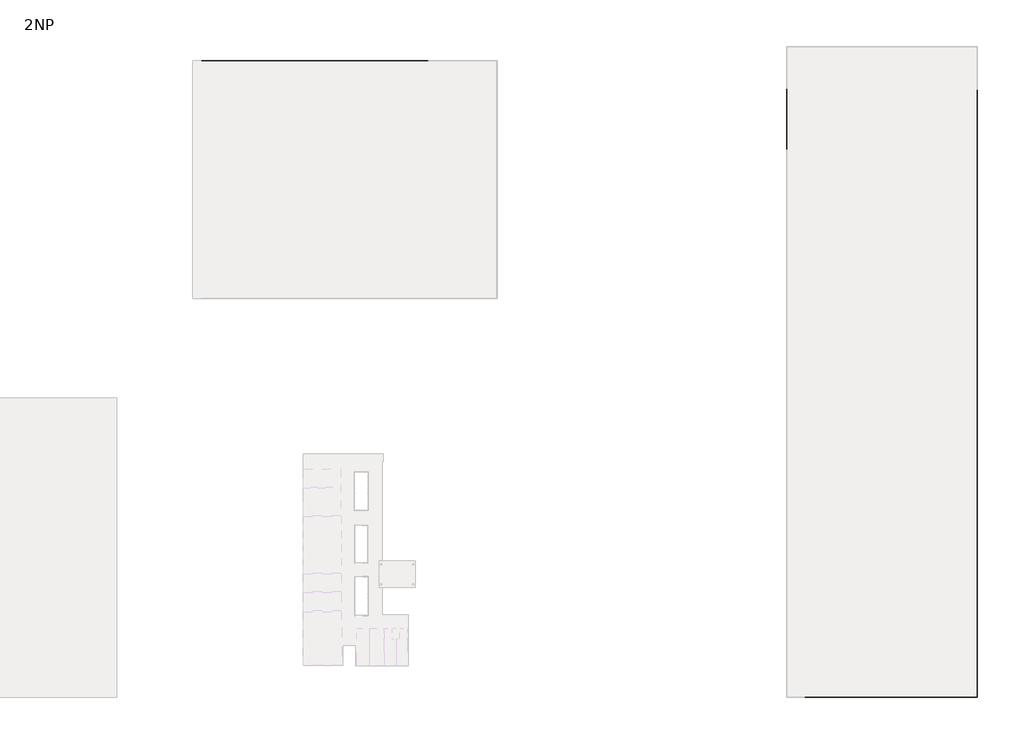
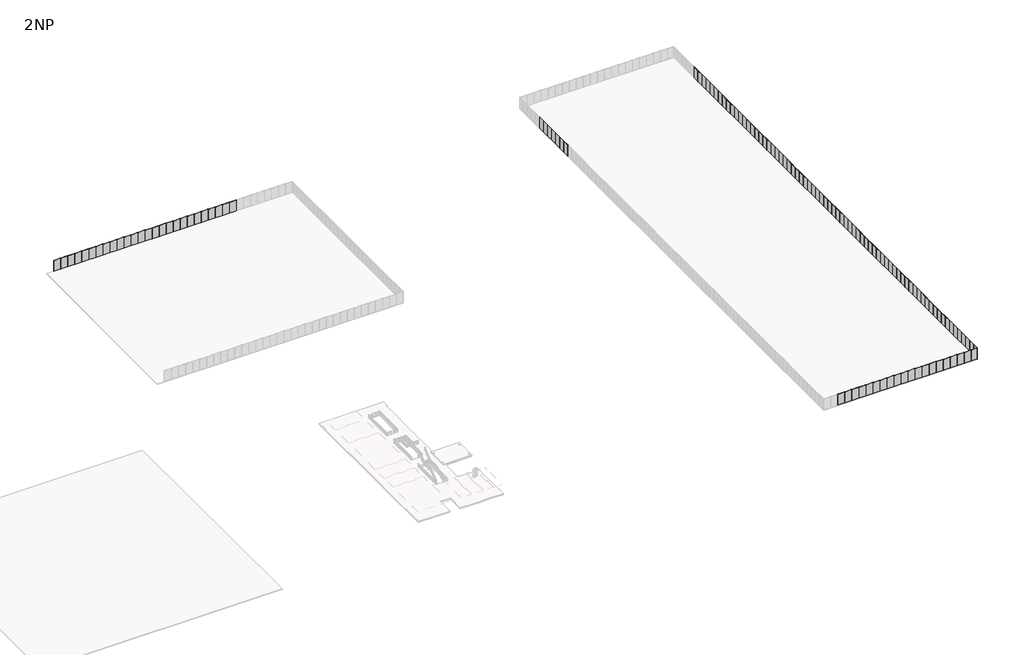
# One storey, part 5 of 6: 123 plates.
"""IFC4 building model written with IfcOpenShell, lengths in millimetres."""

import ifcopenshell
import ifcopenshell.guid

model = None  # the IFC model being written
_history = None  # IfcOwnerHistory: only IFC2X3 demands one
_inside = {}  # id of a spatial element -> (the spatial element, [elements in it])
_under = {}  # id of a project, library or spatial element -> (it, [spatial elements below it])
_declared = {}  # id of a project -> (the project, [libraries it declares])
_typed = {}  # id of a type object -> (the type object, [elements of that type])
_made_of = {}  # id of a material, layer set ... -> (it, [elements and type objects made of it])


def new_model(schema):
    """Start an empty IFC model of exactly this schema.

    Asked for "IFC4X3", IfcOpenShell would pick the latest addendum, in which some entities
    have other attributes; the version numbers below select the first issue.
    IFC2X3 requires an IfcOwnerHistory on every rooted entity: one is made here for all.
    """
    global model, _history
    if schema == "IFC4X3":
        model = ifcopenshell.file(schema_version=(4, 3, 0, 0))
    else:
        model = ifcopenshell.file(schema=schema)
    _inside.clear()
    _under.clear()
    _declared.clear()
    _typed.clear()
    _made_of.clear()
    _history = None
    if model.schema == "IFC2X3":
        org = make("IfcOrganization", Name="unknown")
        user = make(
            "IfcPersonAndOrganization",
            ThePerson=make("IfcPerson", FamilyName="unknown"),
            TheOrganization=org,
        )
        app = make(
            "IfcApplication",
            ApplicationDeveloper=org,
            Version="unknown",
            ApplicationFullName="unknown",
            ApplicationIdentifier="unknown",
        )
        _history = make(
            "IfcOwnerHistory",
            OwningUser=user,
            OwningApplication=app,
            ChangeAction="ADDED",
            CreationDate=0,
        )
    return model


def make(cls, **values):
    """One entity of the class cls with the attributes given. An attribute that is None is left unset."""
    return model.create_entity(
        cls, **{name: value for name, value in values.items() if value is not None}
    )


def rooted(cls, **values):
    """An entity with a GlobalId (a new one), such as an element, a storey or a relation."""
    return make(cls, GlobalId=ifcopenshell.guid.new(), OwnerHistory=_history, **values)


def si_unit(unit_type, name, prefix=None):
    """IfcSIUnit, for example si_unit("LENGTHUNIT", "METRE", prefix="MILLI")."""
    return make("IfcSIUnit", UnitType=unit_type, Prefix=prefix, Name=name)


def assignment(units):
    """IfcUnitAssignment: the units of a project."""
    return None if units is None else make("IfcUnitAssignment", Units=units)


def point(xyz):
    """IfcCartesianPoint."""
    return None if xyz is None else make("IfcCartesianPoint", Coordinates=xyz)


def direction(xyz):
    """IfcDirection."""
    return None if xyz is None else make("IfcDirection", DirectionRatios=xyz)


def frame(location, z_axis=None, x_axis=None):
    """IfcAxis2Placement3D, a coordinate frame: its origin and axes. An axis left out is left unset."""
    return make(
        "IfcAxis2Placement3D",
        Location=point(location),
        Axis=direction(z_axis),
        RefDirection=direction(x_axis),
    )


def origin():
    """The frame at (0, 0, 0) with its axes left unset."""
    return frame((0.0, 0.0, 0.0))


def origin_with_axes():
    """The frame at (0, 0, 0) with the z axis (0, 0, 1) and the x axis (1, 0, 0) written out."""
    return frame((0.0, 0.0, 0.0), z_axis=(0.0, 0.0, 1.0), x_axis=(1.0, 0.0, 0.0))


def place(relative_to, where):
    """IfcLocalPlacement: puts the frame where relative to a parent placement (None: the world)."""
    return make(
        "IfcLocalPlacement", PlacementRelTo=relative_to, RelativePlacement=where
    )


def context(
    kind, dimensions, precision=None, world=None, true_north=None, identifier=None
):
    """IfcGeometricRepresentationContext, for example the 3D "Model" context."""
    return make(
        "IfcGeometricRepresentationContext",
        ContextIdentifier=identifier,
        ContextType=kind,
        CoordinateSpaceDimension=dimensions,
        Precision=precision,
        WorldCoordinateSystem=world,
        TrueNorth=true_north,
    )


def project(units=None, contexts=None):
    """IfcProject with its units and contexts."""
    return rooted(
        "IfcProject",
        Name="project",
        RepresentationContexts=contexts,
        UnitsInContext=assignment(units),
    )


def spatial(cls, under=None, at=None, **own):
    """A site, building, storey or space (cls), placed at a placement, below another one or the project."""
    s = rooted(cls, ObjectPlacement=at, **own)
    if under is not None:
        _under.setdefault(under.id(), (under, []))[1].append(s)
    return s


def polyline(points):
    """IfcPolyline through the points."""
    return make("IfcPolyline", Points=[point(p) for p in points])


def outline(outer, holes=None, kind="AREA"):
    """IfcArbitraryClosedProfileDef: a profile drawn as a closed curve; with holes, ...WithVoids."""
    if holes is None:
        return make("IfcArbitraryClosedProfileDef", ProfileType=kind, OuterCurve=outer)
    return make(
        "IfcArbitraryProfileDefWithVoids",
        ProfileType=kind,
        OuterCurve=outer,
        InnerCurves=holes,
    )


def extrude(swept, where, along, depth):
    """IfcExtrudedAreaSolid: the profile swept, set in the frame where, extruded along a direction by depth."""
    return make(
        "IfcExtrudedAreaSolid",
        SweptArea=swept,
        Position=where,
        ExtrudedDirection=direction(along),
        Depth=depth,
    )


def shape(context_of_items, identifier, shape_type, items):
    """IfcShapeRepresentation: the items that make up one representation, for example the "Body"."""
    return make(
        "IfcShapeRepresentation",
        ContextOfItems=context_of_items,
        RepresentationIdentifier=identifier,
        RepresentationType=shape_type,
        Items=items,
    )


def source(mapping_origin, context_of_items, identifier, shape_type, items):
    """IfcRepresentationMap: a shape defined once, which mapped items show again and again."""
    return make(
        "IfcRepresentationMap",
        MappingOrigin=mapping_origin,
        MappedRepresentation=shape(context_of_items, identifier, shape_type, items),
    )


def transform(
    local_origin,
    x_axis=None,
    y_axis=None,
    z_axis=None,
    scale=None,
    scale2=None,
    scale3=None,
    uniform=True,
):
    """IfcCartesianTransformationOperator3D, or its non-uniform kind. x_axis, y_axis, z_axis: its Axis1, 2, 3."""
    if uniform:
        return make(
            "IfcCartesianTransformationOperator3D",
            Axis1=direction(x_axis),
            Axis2=direction(y_axis),
            LocalOrigin=point(local_origin),
            Scale=scale,
            Axis3=direction(z_axis),
        )
    return make(
        "IfcCartesianTransformationOperator3DnonUniform",
        Axis1=direction(x_axis),
        Axis2=direction(y_axis),
        LocalOrigin=point(local_origin),
        Scale=scale,
        Axis3=direction(z_axis),
        Scale2=scale2,
        Scale3=scale3,
    )


def mapped(mapping_source, mapping_target):
    """IfcMappedItem: shows the shape of a source again, moved by a transform."""
    return make(
        "IfcMappedItem", MappingSource=mapping_source, MappingTarget=mapping_target
    )


def made_of(thing, what):
    """Note that an element or type object is made of a material, layer set ...; save() writes the relation."""
    if what is not None:
        _made_of.setdefault(what.id(), (what, []))[1].append(thing)
    return thing


def element(
    cls,
    number,
    at=None,
    inside=None,
    cuts=None,
    type_object=None,
    material=None,
    context=None,
    identifier="Body",
    shape_type=None,
    held_by="IfcProductDefinitionShape",
    body=None,
    shapes=None,
    **own,
):
    """One element of the class cls, such as IfcWall. Its Tag is "e" and its number.

    at: its placement. inside: the storey or other place that contains it. cuts: it is an
    opening in that element (IfcRelVoidsElement). A single representation is given by context,
    identifier, shape_type and body (its items); several are given by shapes. held_by: the class
    of the entity that holds the representations. save() writes the other relations.
    """
    e = rooted(cls, Tag="e%d" % number, ObjectPlacement=at, **own)
    if body is not None:
        shapes = [shape(context, identifier, shape_type, body)]
    if shapes is not None:
        e.Representation = make(held_by, Representations=shapes)
    if inside is not None:
        _inside.setdefault(inside.id(), (inside, []))[1].append(e)
    if cuts is not None:
        rooted(
            "IfcRelVoidsElement", RelatingBuildingElement=cuts, RelatedOpeningElement=e
        )
    if type_object is not None:
        _typed.setdefault(type_object.id(), (type_object, []))[1].append(e)
    return made_of(e, material)


def aggregate(whole, parts):
    """IfcRelAggregates: a whole, such as a stair, and the parts it consists of."""
    return rooted("IfcRelAggregates", RelatingObject=whole, RelatedObjects=parts)


def save(model, path):
    """Write the relations noted so far, then the file.

    IfcRelAggregates (storeys below a building ...), IfcRelContainedInSpatialStructure (elements
    in a storey), IfcRelDefinesByType, IfcRelAssociatesMaterial and IfcRelDeclares: one each for
    every whole, place, type object, material and project.
    """
    for whole, parts in _under.values():
        aggregate(whole, parts)
    for where, things in _inside.values():
        rooted(
            "IfcRelContainedInSpatialStructure",
            RelatedElements=things,
            RelatingStructure=where,
        )
    for kind, things in _typed.values():
        rooted("IfcRelDefinesByType", RelatedObjects=things, RelatingType=kind)
    for what, things in _made_of.values():
        rooted("IfcRelAssociatesMaterial", RelatedObjects=things, RelatingMaterial=what)
    for by, libraries in _declared.values():
        rooted("IfcRelDeclares", RelatingContext=by, RelatedDefinitions=libraries)
    model.write(path)


def plate_1b9f2f65(model_context):
    return source(origin(), model_context, "Body", "SweptSolid", [
        extrude(outline(polyline([(915.0000002, 24.5), (-915.0000002, 24.5), (-915.0000002, 49.5), (915.0000002, 49.5), (915.0000002, 24.5)])), origin_with_axes(), (0.0, 0.0, 1.0), 3000.0),
    ])


def plate_9b70a8c7(model_context):
    return source(origin(), model_context, "Body", "SweptSolid", [
        extrude(outline(polyline([(784.9999998, 24.5), (-784.9999998, 24.5), (-784.9999998, 49.5), (784.9999998, 49.5), (784.9999998, 24.5)])), origin_with_axes(), (0.0, 0.0, 1.0), 3000.0),
    ])


def plate_1a719a74(model_context):
    return source(origin(), model_context, "Body", "SweptSolid", [
        extrude(outline(polyline([(789.9999998, 24.5), (-789.9999998, 24.5), (-789.9999998, 49.5), (789.9999998, 49.5), (789.9999998, 24.5)])), origin_with_axes(), (0.0, 0.0, 1.0), 3000.0),
    ])


model = new_model("IFC4")

# Units and contexts
model_context = context("Model", 3, world=origin())
ifc_project = project(units=[si_unit("LENGTHUNIT", "METRE", prefix="MILLI")], contexts=[model_context])

# Site, building, storey
site = spatial("IfcSite", under=ifc_project)
building = spatial("IfcBuilding", under=site)
storey = spatial("IfcBuildingStorey", under=building, Name="2NP", Elevation=3000.0)

# Plates
placement = place(None, origin())
plate_shape = plate_1b9f2f65(model_context)
element("IfcPlate", 1, at=placement, inside=storey, context=model_context, shape_type="MappedRepresentation", body=[
    mapped(plate_shape, transform((164000.0, 126934.9999997, 3000.0), x_axis=(0.0, -1.0, 0.0), y_axis=(1.0, 0.0, 0.0), z_axis=(0.0, 0.0, 1.0))),
])
element("IfcPlate", 2, at=placement, inside=storey, context=model_context, shape_type="MappedRepresentation", body=[
    mapped(plate_shape, transform((164000.0, 125104.9999997, 3000.0), x_axis=(0.0, -1.0, 0.0), y_axis=(1.0, 0.0, 0.0), z_axis=(0.0, 0.0, 1.0))),
])
element("IfcPlate", 3, at=placement, inside=storey, context=model_context, shape_type="MappedRepresentation", body=[
    mapped(plate_shape, transform((164000.0, 123274.9999997, 3000.0), x_axis=(0.0, -1.0, 0.0), y_axis=(1.0, 0.0, 0.0), z_axis=(0.0, 0.0, 1.0))),
])
element("IfcPlate", 4, at=placement, inside=storey, context=model_context, shape_type="MappedRepresentation", body=[
    mapped(plate_shape, transform((164000.0, 121444.9999997, 3000.0), x_axis=(0.0, -1.0, 0.0), y_axis=(1.0, 0.0, 0.0), z_axis=(0.0, 0.0, 1.0))),
])
element("IfcPlate", 5, at=placement, inside=storey, context=model_context, shape_type="MappedRepresentation", body=[
    mapped(plate_shape, transform((164000.0, 119614.9999997, 3000.0), x_axis=(0.0, -1.0, 0.0), y_axis=(1.0, 0.0, 0.0), z_axis=(0.0, 0.0, 1.0))),
])
element("IfcPlate", 6, at=placement, inside=storey, context=model_context, shape_type="MappedRepresentation", body=[
    mapped(plate_shape, transform((164000.0, 117784.9999997, 3000.0), x_axis=(0.0, -1.0, 0.0), y_axis=(1.0, 0.0, 0.0), z_axis=(0.0, 0.0, 1.0))),
])
element("IfcPlate", 7, at=placement, inside=storey, context=model_context, shape_type="MappedRepresentation", body=[
    mapped(plate_shape, transform((164000.0, 115954.9999997, 3000.0), x_axis=(0.0, -1.0, 0.0), y_axis=(1.0, 0.0, 0.0), z_axis=(0.0, 0.0, 1.0))),
])
element("IfcPlate", 8, at=placement, inside=storey, context=model_context, shape_type="MappedRepresentation", body=[
    mapped(plate_shape, transform((164000.0, 114124.9999997, 3000.0), x_axis=(0.0, -1.0, 0.0), y_axis=(1.0, 0.0, 0.0), z_axis=(0.0, 0.0, 1.0))),
])
element("IfcPlate", 9, at=placement, inside=storey, context=model_context, shape_type="MappedRepresentation", body=[
    mapped(plate_shape, transform((164000.0, 112294.9999997, 3000.0), x_axis=(0.0, -1.0, 0.0), y_axis=(1.0, 0.0, 0.0), z_axis=(0.0, 0.0, 1.0))),
])
element("IfcPlate", 10, at=placement, inside=storey, context=model_context, shape_type="MappedRepresentation", body=[
    mapped(plate_shape, transform((164000.0, 110464.9999997, 3000.0), x_axis=(0.0, -1.0, 0.0), y_axis=(1.0, 0.0, 0.0), z_axis=(0.0, 0.0, 1.0))),
])
element("IfcPlate", 11, at=placement, inside=storey, context=model_context, shape_type="MappedRepresentation", body=[
    mapped(plate_shape, transform((164000.0, 108634.9999997, 3000.0), x_axis=(0.0, -1.0, 0.0), y_axis=(1.0, 0.0, 0.0), z_axis=(0.0, 0.0, 1.0))),
])
element("IfcPlate", 12, at=placement, inside=storey, context=model_context, shape_type="MappedRepresentation", body=[
    mapped(plate_shape, transform((164000.0, 106804.9999997, 3000.0), x_axis=(0.0, -1.0, 0.0), y_axis=(1.0, 0.0, 0.0), z_axis=(0.0, 0.0, 1.0))),
])
element("IfcPlate", 13, at=placement, inside=storey, context=model_context, shape_type="MappedRepresentation", body=[
    mapped(plate_shape, transform((164000.0, 104974.9999997, 3000.0), x_axis=(0.0, -1.0, 0.0), y_axis=(1.0, 0.0, 0.0), z_axis=(0.0, 0.0, 1.0))),
])
element("IfcPlate", 14, at=placement, inside=storey, context=model_context, shape_type="MappedRepresentation", body=[
    mapped(plate_shape, transform((164000.0, 103144.9999997, 3000.0), x_axis=(0.0, -1.0, 0.0), y_axis=(1.0, 0.0, 0.0), z_axis=(0.0, 0.0, 1.0))),
])
element("IfcPlate", 15, at=placement, inside=storey, context=model_context, shape_type="MappedRepresentation", body=[
    mapped(plate_shape, transform((164000.0, 101314.9999997, 3000.0), x_axis=(0.0, -1.0, 0.0), y_axis=(1.0, 0.0, 0.0), z_axis=(0.0, 0.0, 1.0))),
])
element("IfcPlate", 16, at=placement, inside=storey, context=model_context, shape_type="MappedRepresentation", body=[
    mapped(plate_shape, transform((164000.0, 99484.9999997, 3000.0), x_axis=(0.0, -1.0, 0.0), y_axis=(1.0, 0.0, 0.0), z_axis=(0.0, 0.0, 1.0))),
])
element("IfcPlate", 17, at=placement, inside=storey, context=model_context, shape_type="MappedRepresentation", body=[
    mapped(plate_shape, transform((164000.0, 97654.9999997, 3000.0), x_axis=(0.0, -1.0, 0.0), y_axis=(1.0, 0.0, 0.0), z_axis=(0.0, 0.0, 1.0))),
])
element("IfcPlate", 18, at=placement, inside=storey, context=model_context, shape_type="MappedRepresentation", body=[
    mapped(plate_shape, transform((164000.0, 95824.9999997, 3000.0), x_axis=(0.0, -1.0, 0.0), y_axis=(1.0, 0.0, 0.0), z_axis=(0.0, 0.0, 1.0))),
])
element("IfcPlate", 19, at=placement, inside=storey, context=model_context, shape_type="MappedRepresentation", body=[
    mapped(plate_shape, transform((164000.0, 93994.9999997, 3000.0), x_axis=(0.0, -1.0, 0.0), y_axis=(1.0, 0.0, 0.0), z_axis=(0.0, 0.0, 1.0))),
])
element("IfcPlate", 20, at=placement, inside=storey, context=model_context, shape_type="MappedRepresentation", body=[
    mapped(plate_shape, transform((164000.0, 92164.9999997, 3000.0), x_axis=(0.0, -1.0, 0.0), y_axis=(1.0, 0.0, 0.0), z_axis=(0.0, 0.0, 1.0))),
])
element("IfcPlate", 21, at=placement, inside=storey, context=model_context, shape_type="MappedRepresentation", body=[
    mapped(plate_shape, transform((164000.0, 90334.9999997, 3000.0), x_axis=(0.0, -1.0, 0.0), y_axis=(1.0, 0.0, 0.0), z_axis=(0.0, 0.0, 1.0))),
])
element("IfcPlate", 22, at=placement, inside=storey, context=model_context, shape_type="MappedRepresentation", body=[
    mapped(plate_shape, transform((164000.0, 88504.9999997, 3000.0), x_axis=(0.0, -1.0, 0.0), y_axis=(1.0, 0.0, 0.0), z_axis=(0.0, 0.0, 1.0))),
])
element("IfcPlate", 23, at=placement, inside=storey, context=model_context, shape_type="MappedRepresentation", body=[
    mapped(plate_shape, transform((164000.0, 86674.9999997, 3000.0), x_axis=(0.0, -1.0, 0.0), y_axis=(1.0, 0.0, 0.0), z_axis=(0.0, 0.0, 1.0))),
])
element("IfcPlate", 24, at=placement, inside=storey, context=model_context, shape_type="MappedRepresentation", body=[
    mapped(plate_shape, transform((164000.0, 84844.9999997, 3000.0), x_axis=(0.0, -1.0, 0.0), y_axis=(1.0, 0.0, 0.0), z_axis=(0.0, 0.0, 1.0))),
])
element("IfcPlate", 25, at=placement, inside=storey, context=model_context, shape_type="MappedRepresentation", body=[
    mapped(plate_shape, transform((164000.0, 83014.9999997, 3000.0), x_axis=(0.0, -1.0, 0.0), y_axis=(1.0, 0.0, 0.0), z_axis=(0.0, 0.0, 1.0))),
])
element("IfcPlate", 26, at=placement, inside=storey, context=model_context, shape_type="MappedRepresentation", body=[
    mapped(plate_shape, transform((164000.0, 81184.9999997, 3000.0), x_axis=(0.0, -1.0, 0.0), y_axis=(1.0, 0.0, 0.0), z_axis=(0.0, 0.0, 1.0))),
])
element("IfcPlate", 27, at=placement, inside=storey, context=model_context, shape_type="MappedRepresentation", body=[
    mapped(plate_shape, transform((164000.0, 79354.9999997, 3000.0), x_axis=(0.0, -1.0, 0.0), y_axis=(1.0, 0.0, 0.0), z_axis=(0.0, 0.0, 1.0))),
])
element("IfcPlate", 28, at=placement, inside=storey, context=model_context, shape_type="MappedRepresentation", body=[
    mapped(plate_shape, transform((164000.0, 77524.9999997, 3000.0), x_axis=(0.0, -1.0, 0.0), y_axis=(1.0, 0.0, 0.0), z_axis=(0.0, 0.0, 1.0))),
])
element("IfcPlate", 29, at=placement, inside=storey, context=model_context, shape_type="MappedRepresentation", body=[
    mapped(plate_shape, transform((164000.0, 75694.9999997, 3000.0), x_axis=(0.0, -1.0, 0.0), y_axis=(1.0, 0.0, 0.0), z_axis=(0.0, 0.0, 1.0))),
])
element("IfcPlate", 30, at=placement, inside=storey, context=model_context, shape_type="MappedRepresentation", body=[
    mapped(plate_shape, transform((164000.0, 73864.9999997, 3000.0), x_axis=(0.0, -1.0, 0.0), y_axis=(1.0, 0.0, 0.0), z_axis=(0.0, 0.0, 1.0))),
])
element("IfcPlate", 31, at=placement, inside=storey, context=model_context, shape_type="MappedRepresentation", body=[
    mapped(plate_shape, transform((164000.0, 72034.9999997, 3000.0), x_axis=(0.0, -1.0, 0.0), y_axis=(1.0, 0.0, 0.0), z_axis=(0.0, 0.0, 1.0))),
])
element("IfcPlate", 32, at=placement, inside=storey, context=model_context, shape_type="MappedRepresentation", body=[
    mapped(plate_shape, transform((164000.0, 70204.9999997, 3000.0), x_axis=(0.0, -1.0, 0.0), y_axis=(1.0, 0.0, 0.0), z_axis=(0.0, 0.0, 1.0))),
])
element("IfcPlate", 33, at=placement, inside=storey, context=model_context, shape_type="MappedRepresentation", body=[
    mapped(plate_shape, transform((164000.0, 68374.9999997, 3000.0), x_axis=(0.0, -1.0, 0.0), y_axis=(1.0, 0.0, 0.0), z_axis=(0.0, 0.0, 1.0))),
])
element("IfcPlate", 34, at=placement, inside=storey, context=model_context, shape_type="MappedRepresentation", body=[
    mapped(plate_shape, transform((164000.0, 66544.9999997, 3000.0), x_axis=(0.0, -1.0, 0.0), y_axis=(1.0, 0.0, 0.0), z_axis=(0.0, 0.0, 1.0))),
])
element("IfcPlate", 35, at=placement, inside=storey, context=model_context, shape_type="MappedRepresentation", body=[
    mapped(plate_shape, transform((164000.0, 64714.9999997, 3000.0), x_axis=(0.0, -1.0, 0.0), y_axis=(1.0, 0.0, 0.0), z_axis=(0.0, 0.0, 1.0))),
])
element("IfcPlate", 36, at=placement, inside=storey, context=model_context, shape_type="MappedRepresentation", body=[
    mapped(plate_shape, transform((164000.0, 62884.9999997, 3000.0), x_axis=(0.0, -1.0, 0.0), y_axis=(1.0, 0.0, 0.0), z_axis=(0.0, 0.0, 1.0))),
])
element("IfcPlate", 37, at=placement, inside=storey, context=model_context, shape_type="MappedRepresentation", body=[
    mapped(plate_shape, transform((164000.0, 61054.9999997, 3000.0), x_axis=(0.0, -1.0, 0.0), y_axis=(1.0, 0.0, 0.0), z_axis=(0.0, 0.0, 1.0))),
])
element("IfcPlate", 38, at=placement, inside=storey, context=model_context, shape_type="MappedRepresentation", body=[
    mapped(plate_shape, transform((164000.0, 59224.9999997, 3000.0), x_axis=(0.0, -1.0, 0.0), y_axis=(1.0, 0.0, 0.0), z_axis=(0.0, 0.0, 1.0))),
])
element("IfcPlate", 39, at=placement, inside=storey, context=model_context, shape_type="MappedRepresentation", body=[
    mapped(plate_shape, transform((164000.0, 57394.9999997, 3000.0), x_axis=(0.0, -1.0, 0.0), y_axis=(1.0, 0.0, 0.0), z_axis=(0.0, 0.0, 1.0))),
])
element("IfcPlate", 40, at=placement, inside=storey, context=model_context, shape_type="MappedRepresentation", body=[
    mapped(plate_shape, transform((164000.0, 55564.9999997, 3000.0), x_axis=(0.0, -1.0, 0.0), y_axis=(1.0, 0.0, 0.0), z_axis=(0.0, 0.0, 1.0))),
])
element("IfcPlate", 41, at=placement, inside=storey, context=model_context, shape_type="MappedRepresentation", body=[
    mapped(plate_shape, transform((164000.0, 53734.9999997, 3000.0), x_axis=(0.0, -1.0, 0.0), y_axis=(1.0, 0.0, 0.0), z_axis=(0.0, 0.0, 1.0))),
])
element("IfcPlate", 42, at=placement, inside=storey, context=model_context, shape_type="MappedRepresentation", body=[
    mapped(plate_shape, transform((164000.0, 51904.9999997, 3000.0), x_axis=(0.0, -1.0, 0.0), y_axis=(1.0, 0.0, 0.0), z_axis=(0.0, 0.0, 1.0))),
])
element("IfcPlate", 43, at=placement, inside=storey, context=model_context, shape_type="MappedRepresentation", body=[
    mapped(plate_shape, transform((164000.0, 50074.9999997, 3000.0), x_axis=(0.0, -1.0, 0.0), y_axis=(1.0, 0.0, 0.0), z_axis=(0.0, 0.0, 1.0))),
])
element("IfcPlate", 44, at=placement, inside=storey, context=model_context, shape_type="MappedRepresentation", body=[
    mapped(plate_shape, transform((164000.0, 48244.9999997, 3000.0), x_axis=(0.0, -1.0, 0.0), y_axis=(1.0, 0.0, 0.0), z_axis=(0.0, 0.0, 1.0))),
])
element("IfcPlate", 45, at=placement, inside=storey, context=model_context, shape_type="MappedRepresentation", body=[
    mapped(plate_shape, transform((164000.0, 46414.9999997, 3000.0), x_axis=(0.0, -1.0, 0.0), y_axis=(1.0, 0.0, 0.0), z_axis=(0.0, 0.0, 1.0))),
])
element("IfcPlate", 46, at=placement, inside=storey, context=model_context, shape_type="MappedRepresentation", body=[
    mapped(plate_shape, transform((164000.0, 44584.9999997, 3000.0), x_axis=(0.0, -1.0, 0.0), y_axis=(1.0, 0.0, 0.0), z_axis=(0.0, 0.0, 1.0))),
])
element("IfcPlate", 47, at=placement, inside=storey, context=model_context, shape_type="MappedRepresentation", body=[
    mapped(plate_shape, transform((164000.0, 42754.9999997, 3000.0), x_axis=(0.0, -1.0, 0.0), y_axis=(1.0, 0.0, 0.0), z_axis=(0.0, 0.0, 1.0))),
])
element("IfcPlate", 48, at=placement, inside=storey, context=model_context, shape_type="MappedRepresentation", body=[
    mapped(plate_shape, transform((164000.0, 40924.9999997, 3000.0), x_axis=(0.0, -1.0, 0.0), y_axis=(1.0, 0.0, 0.0), z_axis=(0.0, 0.0, 1.0))),
])
element("IfcPlate", 49, at=placement, inside=storey, context=model_context, shape_type="MappedRepresentation", body=[
    mapped(plate_shape, transform((164000.0, 39094.9999997, 3000.0), x_axis=(0.0, -1.0, 0.0), y_axis=(1.0, 0.0, 0.0), z_axis=(0.0, 0.0, 1.0))),
])
element("IfcPlate", 50, at=placement, inside=storey, context=model_context, shape_type="MappedRepresentation", body=[
    mapped(plate_shape, transform((164000.0, 37264.9999997, 3000.0), x_axis=(0.0, -1.0, 0.0), y_axis=(1.0, 0.0, 0.0), z_axis=(0.0, 0.0, 1.0))),
])
element("IfcPlate", 51, at=placement, inside=storey, context=model_context, shape_type="MappedRepresentation", body=[
    mapped(plate_shape, transform((164000.0, 35434.9999997, 3000.0), x_axis=(0.0, -1.0, 0.0), y_axis=(1.0, 0.0, 0.0), z_axis=(0.0, 0.0, 1.0))),
])
element("IfcPlate", 52, at=placement, inside=storey, context=model_context, shape_type="MappedRepresentation", body=[
    mapped(plate_shape, transform((164000.0, 33604.9999997, 3000.0), x_axis=(0.0, -1.0, 0.0), y_axis=(1.0, 0.0, 0.0), z_axis=(0.0, 0.0, 1.0))),
])
element("IfcPlate", 53, at=placement, inside=storey, context=model_context, shape_type="MappedRepresentation", body=[
    mapped(plate_shape, transform((164000.0, 31774.9999997, 3000.0), x_axis=(0.0, -1.0, 0.0), y_axis=(1.0, 0.0, 0.0), z_axis=(0.0, 0.0, 1.0))),
])
element("IfcPlate", 54, at=placement, inside=storey, context=model_context, shape_type="MappedRepresentation", body=[
    mapped(plate_shape, transform((164000.0, 29944.9999997, 3000.0), x_axis=(0.0, -1.0, 0.0), y_axis=(1.0, 0.0, 0.0), z_axis=(0.0, 0.0, 1.0))),
])
element("IfcPlate", 55, at=placement, inside=storey, context=model_context, shape_type="MappedRepresentation", body=[
    mapped(plate_shape, transform((164000.0, 28114.9999997, 3000.0), x_axis=(0.0, -1.0, 0.0), y_axis=(1.0, 0.0, 0.0), z_axis=(0.0, 0.0, 1.0))),
])
element("IfcPlate", 56, at=placement, inside=storey, context=model_context, shape_type="MappedRepresentation", body=[
    mapped(plate_shape, transform((164000.0, 26284.9999997, 3000.0), x_axis=(0.0, -1.0, 0.0), y_axis=(1.0, 0.0, 0.0), z_axis=(0.0, 0.0, 1.0))),
])
element("IfcPlate", 57, at=placement, inside=storey, context=model_context, shape_type="MappedRepresentation", body=[
    mapped(plate_shape, transform((164000.0, 24454.9999997, 3000.0), x_axis=(0.0, -1.0, 0.0), y_axis=(1.0, 0.0, 0.0), z_axis=(0.0, 0.0, 1.0))),
])
element("IfcPlate", 58, at=placement, inside=storey, context=model_context, shape_type="MappedRepresentation", body=[
    mapped(plate_shape, transform((164000.0, 22624.9999997, 3000.0), x_axis=(0.0, -1.0, 0.0), y_axis=(1.0, 0.0, 0.0), z_axis=(0.0, 0.0, 1.0))),
])
element("IfcPlate", 59, at=placement, inside=storey, context=model_context, shape_type="MappedRepresentation", body=[
    mapped(plate_shape, transform((164000.0, 20794.9999997, 3000.0), x_axis=(0.0, -1.0, 0.0), y_axis=(1.0, 0.0, 0.0), z_axis=(0.0, 0.0, 1.0))),
])
element("IfcPlate", 60, at=placement, inside=storey, context=model_context, shape_type="MappedRepresentation", body=[
    mapped(plate_shape, transform((164000.0, 18964.9999997, 3000.0), x_axis=(0.0, -1.0, 0.0), y_axis=(1.0, 0.0, 0.0), z_axis=(0.0, 0.0, 1.0))),
])
element("IfcPlate", 61, at=placement, inside=storey, context=model_context, shape_type="MappedRepresentation", body=[
    mapped(plate_shape, transform((164000.0, 17134.9999997, 3000.0), x_axis=(0.0, -1.0, 0.0), y_axis=(1.0, 0.0, 0.0), z_axis=(0.0, 0.0, 1.0))),
])
element("IfcPlate", 62, at=placement, inside=storey, context=model_context, shape_type="MappedRepresentation", body=[
    mapped(plate_shape, transform((164000.0, 15304.9999997, 3000.0), x_axis=(0.0, -1.0, 0.0), y_axis=(1.0, 0.0, 0.0), z_axis=(0.0, 0.0, 1.0))),
])
element("IfcPlate", 63, at=placement, inside=storey, context=model_context, shape_type="MappedRepresentation", body=[
    mapped(plate_shape, transform((164000.0, 13474.9999997, 3000.0), x_axis=(0.0, -1.0, 0.0), y_axis=(1.0, 0.0, 0.0), z_axis=(0.0, 0.0, 1.0))),
])
element("IfcPlate", 64, at=placement, inside=storey, context=model_context, shape_type="MappedRepresentation", body=[
    mapped(plate_shape, transform((164000.0, 11644.9999997, 3000.0), x_axis=(0.0, -1.0, 0.0), y_axis=(1.0, 0.0, 0.0), z_axis=(0.0, 0.0, 1.0))),
])
element("IfcPlate", 65, at=placement, inside=storey, context=model_context, shape_type="MappedRepresentation", body=[
    mapped(plate_shape, transform((164000.0, 9814.9999997, 3000.0), x_axis=(0.0, -1.0, 0.0), y_axis=(1.0, 0.0, 0.0), z_axis=(0.0, 0.0, 1.0))),
])
element("IfcPlate", 66, at=placement, inside=storey, context=model_context, shape_type="MappedRepresentation", body=[
    mapped(plate_shape, transform((164000.0, 7984.9999997, 3000.0), x_axis=(0.0, -1.0, 0.0), y_axis=(1.0, 0.0, 0.0), z_axis=(0.0, 0.0, 1.0))),
])
element("IfcPlate", 67, at=placement, inside=storey, context=model_context, shape_type="MappedRepresentation", body=[
    mapped(plate_shape, transform((164000.0, 6154.9999997, 3000.0), x_axis=(0.0, -1.0, 0.0), y_axis=(1.0, 0.0, 0.0), z_axis=(0.0, 0.0, 1.0))),
])
element("IfcPlate", 68, at=placement, inside=storey, context=model_context, shape_type="MappedRepresentation", body=[
    mapped(plate_shape, transform((164000.0, 4324.9999997, 3000.0), x_axis=(0.0, -1.0, 0.0), y_axis=(1.0, 0.0, 0.0), z_axis=(0.0, 0.0, 1.0))),
])
element("IfcPlate", 69, at=placement, inside=storey, context=model_context, shape_type="MappedRepresentation", body=[
    mapped(plate_shape, transform((164000.0, 2494.9999997, 3000.0), x_axis=(0.0, -1.0, 0.0), y_axis=(1.0, 0.0, 0.0), z_axis=(0.0, 0.0, 1.0))),
])
element("IfcPlate", 70, at=placement, inside=storey, context=model_context, shape_type="MappedRepresentation", body=[
    mapped(plate_shape, transform((124000.0, 116205.0000003, 3000.0), x_axis=(0.0, 1.0, 0.0), y_axis=(-1.0, 0.0, 0.0), z_axis=(0.0, 0.0, 1.0))),
])
element("IfcPlate", 71, at=placement, inside=storey, context=model_context, shape_type="MappedRepresentation", body=[
    mapped(plate_shape, transform((124000.0, 118035.0000003, 3000.0), x_axis=(0.0, 1.0, 0.0), y_axis=(-1.0, 0.0, 0.0), z_axis=(0.0, 0.0, 1.0))),
])
element("IfcPlate", 72, at=placement, inside=storey, context=model_context, shape_type="MappedRepresentation", body=[
    mapped(plate_shape, transform((124000.0, 119865.0000003, 3000.0), x_axis=(0.0, 1.0, 0.0), y_axis=(-1.0, 0.0, 0.0), z_axis=(0.0, 0.0, 1.0))),
])
element("IfcPlate", 73, at=placement, inside=storey, context=model_context, shape_type="MappedRepresentation", body=[
    mapped(plate_shape, transform((124000.0, 121695.0000003, 3000.0), x_axis=(0.0, 1.0, 0.0), y_axis=(-1.0, 0.0, 0.0), z_axis=(0.0, 0.0, 1.0))),
])
element("IfcPlate", 74, at=placement, inside=storey, context=model_context, shape_type="MappedRepresentation", body=[
    mapped(plate_shape, transform((124000.0, 123525.0000003, 3000.0), x_axis=(0.0, 1.0, 0.0), y_axis=(-1.0, 0.0, 0.0), z_axis=(0.0, 0.0, 1.0))),
])
element("IfcPlate", 75, at=placement, inside=storey, context=model_context, shape_type="MappedRepresentation", body=[
    mapped(plate_shape, transform((124000.0, 125355.0000003, 3000.0), x_axis=(0.0, 1.0, 0.0), y_axis=(-1.0, 0.0, 0.0), z_axis=(0.0, 0.0, 1.0))),
])
element("IfcPlate", 76, at=placement, inside=storey, context=model_context, shape_type="MappedRepresentation", body=[
    mapped(plate_shape, transform((124000.0, 127185.0000003, 3000.0), x_axis=(0.0, 1.0, 0.0), y_axis=(-1.0, 0.0, 0.0), z_axis=(0.0, 0.0, 1.0))),
])
element("IfcPlate", 77, at=placement, inside=storey, context=model_context, shape_type="MappedRepresentation", body=[
    mapped(plate_shape, transform((128575.0000003, 0.0, 3000.0), x_axis=(1.0, 0.0, 0.0), y_axis=(0.0, 1.0, 0.0), z_axis=(0.0, 0.0, 1.0))),
])
element("IfcPlate", 78, at=placement, inside=storey, context=model_context, shape_type="MappedRepresentation", body=[
    mapped(plate_shape, transform((130405.0000003, 0.0, 3000.0), x_axis=(1.0, 0.0, 0.0), y_axis=(0.0, 1.0, 0.0), z_axis=(0.0, 0.0, 1.0))),
])
element("IfcPlate", 79, at=placement, inside=storey, context=model_context, shape_type="MappedRepresentation", body=[
    mapped(plate_shape, transform((132235.0000003, 0.0, 3000.0), x_axis=(1.0, 0.0, 0.0), y_axis=(0.0, 1.0, 0.0), z_axis=(0.0, 0.0, 1.0))),
])
element("IfcPlate", 80, at=placement, inside=storey, context=model_context, shape_type="MappedRepresentation", body=[
    mapped(plate_shape, transform((134065.0000003, 0.0, 3000.0), x_axis=(1.0, 0.0, 0.0), y_axis=(0.0, 1.0, 0.0), z_axis=(0.0, 0.0, 1.0))),
])
element("IfcPlate", 81, at=placement, inside=storey, context=model_context, shape_type="MappedRepresentation", body=[
    mapped(plate_shape, transform((135895.0000003, 0.0, 3000.0), x_axis=(1.0, 0.0, 0.0), y_axis=(0.0, 1.0, 0.0), z_axis=(0.0, 0.0, 1.0))),
])
element("IfcPlate", 82, at=placement, inside=storey, context=model_context, shape_type="MappedRepresentation", body=[
    mapped(plate_shape, transform((137725.0000003, 0.0, 3000.0), x_axis=(1.0, 0.0, 0.0), y_axis=(0.0, 1.0, 0.0), z_axis=(0.0, 0.0, 1.0))),
])
element("IfcPlate", 83, at=placement, inside=storey, context=model_context, shape_type="MappedRepresentation", body=[
    mapped(plate_shape, transform((139555.0000003, 0.0, 3000.0), x_axis=(1.0, 0.0, 0.0), y_axis=(0.0, 1.0, 0.0), z_axis=(0.0, 0.0, 1.0))),
])
element("IfcPlate", 84, at=placement, inside=storey, context=model_context, shape_type="MappedRepresentation", body=[
    mapped(plate_shape, transform((141385.0000003, 0.0, 3000.0), x_axis=(1.0, 0.0, 0.0), y_axis=(0.0, 1.0, 0.0), z_axis=(0.0, 0.0, 1.0))),
])
element("IfcPlate", 85, at=placement, inside=storey, context=model_context, shape_type="MappedRepresentation", body=[
    mapped(plate_shape, transform((143215.0000003, 0.0, 3000.0), x_axis=(1.0, 0.0, 0.0), y_axis=(0.0, 1.0, 0.0), z_axis=(0.0, 0.0, 1.0))),
])
element("IfcPlate", 86, at=placement, inside=storey, context=model_context, shape_type="MappedRepresentation", body=[
    mapped(plate_shape, transform((145045.0000003, 0.0, 3000.0), x_axis=(1.0, 0.0, 0.0), y_axis=(0.0, 1.0, 0.0), z_axis=(0.0, 0.0, 1.0))),
])
element("IfcPlate", 87, at=placement, inside=storey, context=model_context, shape_type="MappedRepresentation", body=[
    mapped(plate_shape, transform((146875.0000003, 0.0, 3000.0), x_axis=(1.0, 0.0, 0.0), y_axis=(0.0, 1.0, 0.0), z_axis=(0.0, 0.0, 1.0))),
])
element("IfcPlate", 88, at=placement, inside=storey, context=model_context, shape_type="MappedRepresentation", body=[
    mapped(plate_shape, transform((148705.0000003, 0.0, 3000.0), x_axis=(1.0, 0.0, 0.0), y_axis=(0.0, 1.0, 0.0), z_axis=(0.0, 0.0, 1.0))),
])
element("IfcPlate", 89, at=placement, inside=storey, context=model_context, shape_type="MappedRepresentation", body=[
    mapped(plate_shape, transform((150535.0000003, 0.0, 3000.0), x_axis=(1.0, 0.0, 0.0), y_axis=(0.0, 1.0, 0.0), z_axis=(0.0, 0.0, 1.0))),
])
element("IfcPlate", 90, at=placement, inside=storey, context=model_context, shape_type="MappedRepresentation", body=[
    mapped(plate_shape, transform((152365.0000003, 0.0, 3000.0), x_axis=(1.0, 0.0, 0.0), y_axis=(0.0, 1.0, 0.0), z_axis=(0.0, 0.0, 1.0))),
])
element("IfcPlate", 91, at=placement, inside=storey, context=model_context, shape_type="MappedRepresentation", body=[
    mapped(plate_shape, transform((154195.0000003, 0.0, 3000.0), x_axis=(1.0, 0.0, 0.0), y_axis=(0.0, 1.0, 0.0), z_axis=(0.0, 0.0, 1.0))),
])
element("IfcPlate", 92, at=placement, inside=storey, context=model_context, shape_type="MappedRepresentation", body=[
    mapped(plate_shape, transform((156025.0000003, 0.0, 3000.0), x_axis=(1.0, 0.0, 0.0), y_axis=(0.0, 1.0, 0.0), z_axis=(0.0, 0.0, 1.0))),
])
element("IfcPlate", 93, at=placement, inside=storey, context=model_context, shape_type="MappedRepresentation", body=[
    mapped(plate_shape, transform((157855.0000003, 0.0, 3000.0), x_axis=(1.0, 0.0, 0.0), y_axis=(0.0, 1.0, 0.0), z_axis=(0.0, 0.0, 1.0))),
])
element("IfcPlate", 94, at=placement, inside=storey, context=model_context, shape_type="MappedRepresentation", body=[
    mapped(plate_shape, transform((159685.0000003, 0.0, 3000.0), x_axis=(1.0, 0.0, 0.0), y_axis=(0.0, 1.0, 0.0), z_axis=(0.0, 0.0, 1.0))),
])
element("IfcPlate", 95, at=placement, inside=storey, context=model_context, shape_type="MappedRepresentation", body=[
    mapped(plate_shape, transform((161515.0000003, 0.0, 3000.0), x_axis=(1.0, 0.0, 0.0), y_axis=(0.0, 1.0, 0.0), z_axis=(0.0, 0.0, 1.0))),
])
element("IfcPlate", 96, at=placement, inside=storey, context=model_context, shape_type="MappedRepresentation", body=[
    mapped(plate_shape, transform((1745.0000003, 134000.0, 3000.0), x_axis=(1.0, 0.0, 0.0), y_axis=(0.0, 1.0, 0.0), z_axis=(0.0, 0.0, 1.0))),
])
element("IfcPlate", 97, at=placement, inside=storey, context=model_context, shape_type="MappedRepresentation", body=[
    mapped(plate_shape, transform((3575.0000003, 134000.0, 3000.0), x_axis=(1.0, 0.0, 0.0), y_axis=(0.0, 1.0, 0.0), z_axis=(0.0, 0.0, 1.0))),
])
element("IfcPlate", 98, at=placement, inside=storey, context=model_context, shape_type="MappedRepresentation", body=[
    mapped(plate_shape, transform((5405.0000003, 134000.0, 3000.0), x_axis=(1.0, 0.0, 0.0), y_axis=(0.0, 1.0, 0.0), z_axis=(0.0, 0.0, 1.0))),
])
element("IfcPlate", 99, at=placement, inside=storey, context=model_context, shape_type="MappedRepresentation", body=[
    mapped(plate_shape, transform((7235.0000003, 134000.0, 3000.0), x_axis=(1.0, 0.0, 0.0), y_axis=(0.0, 1.0, 0.0), z_axis=(0.0, 0.0, 1.0))),
])
element("IfcPlate", 100, at=placement, inside=storey, context=model_context, shape_type="MappedRepresentation", body=[
    mapped(plate_shape, transform((9065.0000003, 134000.0, 3000.0), x_axis=(1.0, 0.0, 0.0), y_axis=(0.0, 1.0, 0.0), z_axis=(0.0, 0.0, 1.0))),
])
element("IfcPlate", 101, at=placement, inside=storey, context=model_context, shape_type="MappedRepresentation", body=[
    mapped(plate_shape, transform((10895.0000003, 134000.0, 3000.0), x_axis=(1.0, 0.0, 0.0), y_axis=(0.0, 1.0, 0.0), z_axis=(0.0, 0.0, 1.0))),
])
element("IfcPlate", 102, at=placement, inside=storey, context=model_context, shape_type="MappedRepresentation", body=[
    mapped(plate_shape, transform((12725.0000003, 134000.0, 3000.0), x_axis=(1.0, 0.0, 0.0), y_axis=(0.0, 1.0, 0.0), z_axis=(0.0, 0.0, 1.0))),
])
element("IfcPlate", 103, at=placement, inside=storey, context=model_context, shape_type="MappedRepresentation", body=[
    mapped(plate_shape, transform((14555.0000003, 134000.0, 3000.0), x_axis=(1.0, 0.0, 0.0), y_axis=(0.0, 1.0, 0.0), z_axis=(0.0, 0.0, 1.0))),
])
element("IfcPlate", 104, at=placement, inside=storey, context=model_context, shape_type="MappedRepresentation", body=[
    mapped(plate_shape, transform((16385.0000003, 134000.0, 3000.0), x_axis=(1.0, 0.0, 0.0), y_axis=(0.0, 1.0, 0.0), z_axis=(0.0, 0.0, 1.0))),
])
element("IfcPlate", 105, at=placement, inside=storey, context=model_context, shape_type="MappedRepresentation", body=[
    mapped(plate_shape, transform((18215.0000003, 134000.0, 3000.0), x_axis=(1.0, 0.0, 0.0), y_axis=(0.0, 1.0, 0.0), z_axis=(0.0, 0.0, 1.0))),
])
element("IfcPlate", 106, at=placement, inside=storey, context=model_context, shape_type="MappedRepresentation", body=[
    mapped(plate_shape, transform((20045.0000003, 134000.0, 3000.0), x_axis=(1.0, 0.0, 0.0), y_axis=(0.0, 1.0, 0.0), z_axis=(0.0, 0.0, 1.0))),
])
element("IfcPlate", 107, at=placement, inside=storey, context=model_context, shape_type="MappedRepresentation", body=[
    mapped(plate_shape, transform((21875.0000003, 134000.0, 3000.0), x_axis=(1.0, 0.0, 0.0), y_axis=(0.0, 1.0, 0.0), z_axis=(0.0, 0.0, 1.0))),
])
element("IfcPlate", 108, at=placement, inside=storey, context=model_context, shape_type="MappedRepresentation", body=[
    mapped(plate_shape, transform((23705.0000003, 134000.0, 3000.0), x_axis=(1.0, 0.0, 0.0), y_axis=(0.0, 1.0, 0.0), z_axis=(0.0, 0.0, 1.0))),
])
element("IfcPlate", 109, at=placement, inside=storey, context=model_context, shape_type="MappedRepresentation", body=[
    mapped(plate_shape, transform((25535.0000003, 134000.0, 3000.0), x_axis=(1.0, 0.0, 0.0), y_axis=(0.0, 1.0, 0.0), z_axis=(0.0, 0.0, 1.0))),
])
element("IfcPlate", 110, at=placement, inside=storey, context=model_context, shape_type="MappedRepresentation", body=[
    mapped(plate_shape, transform((27365.0000003, 134000.0, 3000.0), x_axis=(1.0, 0.0, 0.0), y_axis=(0.0, 1.0, 0.0), z_axis=(0.0, 0.0, 1.0))),
])
element("IfcPlate", 111, at=placement, inside=storey, context=model_context, shape_type="MappedRepresentation", body=[
    mapped(plate_shape, transform((29195.0000003, 134000.0, 3000.0), x_axis=(1.0, 0.0, 0.0), y_axis=(0.0, 1.0, 0.0), z_axis=(0.0, 0.0, 1.0))),
])
element("IfcPlate", 112, at=placement, inside=storey, context=model_context, shape_type="MappedRepresentation", body=[
    mapped(plate_shape, transform((31025.0000003, 134000.0, 3000.0), x_axis=(1.0, 0.0, 0.0), y_axis=(0.0, 1.0, 0.0), z_axis=(0.0, 0.0, 1.0))),
])
element("IfcPlate", 113, at=placement, inside=storey, context=model_context, shape_type="MappedRepresentation", body=[
    mapped(plate_shape, transform((32855.0000003, 134000.0, 3000.0), x_axis=(1.0, 0.0, 0.0), y_axis=(0.0, 1.0, 0.0), z_axis=(0.0, 0.0, 1.0))),
])
element("IfcPlate", 114, at=placement, inside=storey, context=model_context, shape_type="MappedRepresentation", body=[
    mapped(plate_shape, transform((34685.0000003, 134000.0, 3000.0), x_axis=(1.0, 0.0, 0.0), y_axis=(0.0, 1.0, 0.0), z_axis=(0.0, 0.0, 1.0))),
])
element("IfcPlate", 115, at=placement, inside=storey, context=model_context, shape_type="MappedRepresentation", body=[
    mapped(plate_shape, transform((36515.0000003, 134000.0, 3000.0), x_axis=(1.0, 0.0, 0.0), y_axis=(0.0, 1.0, 0.0), z_axis=(0.0, 0.0, 1.0))),
])
element("IfcPlate", 116, at=placement, inside=storey, context=model_context, shape_type="MappedRepresentation", body=[
    mapped(plate_shape, transform((38345.0000003, 134000.0, 3000.0), x_axis=(1.0, 0.0, 0.0), y_axis=(0.0, 1.0, 0.0), z_axis=(0.0, 0.0, 1.0))),
])
element("IfcPlate", 117, at=placement, inside=storey, context=model_context, shape_type="MappedRepresentation", body=[
    mapped(plate_shape, transform((40175.0000003, 134000.0, 3000.0), x_axis=(1.0, 0.0, 0.0), y_axis=(0.0, 1.0, 0.0), z_axis=(0.0, 0.0, 1.0))),
])
element("IfcPlate", 118, at=placement, inside=storey, context=model_context, shape_type="MappedRepresentation", body=[
    mapped(plate_shape, transform((42005.0000003, 134000.0, 3000.0), x_axis=(1.0, 0.0, 0.0), y_axis=(0.0, 1.0, 0.0), z_axis=(0.0, 0.0, 1.0))),
])
element("IfcPlate", 119, at=placement, inside=storey, context=model_context, shape_type="MappedRepresentation", body=[
    mapped(plate_shape, transform((43835.0000003, 134000.0, 3000.0), x_axis=(1.0, 0.0, 0.0), y_axis=(0.0, 1.0, 0.0), z_axis=(0.0, 0.0, 1.0))),
])
element("IfcPlate", 120, at=placement, inside=storey, context=model_context, shape_type="MappedRepresentation", body=[
    mapped(plate_shape, transform((45665.0000003, 134000.0, 3000.0), x_axis=(1.0, 0.0, 0.0), y_axis=(0.0, 1.0, 0.0), z_axis=(0.0, 0.0, 1.0))),
])
element("IfcPlate", 121, at=placement, inside=storey, context=model_context, shape_type="MappedRepresentation", body=[
    mapped(plate_shape, transform((47495.0000003, 134000.0, 3000.0), x_axis=(1.0, 0.0, 0.0), y_axis=(0.0, 1.0, 0.0), z_axis=(0.0, 0.0, 1.0))),
])
plate_2_shape = plate_9b70a8c7(model_context)
element("IfcPlate", 122, at=placement, inside=storey, context=model_context, shape_type="MappedRepresentation", body=[
    mapped(plate_2_shape, transform((163215.0000002, 0.0, 3000.0), x_axis=(1.0, 0.0, 0.0), y_axis=(0.0, 1.0, 0.0), z_axis=(0.0, 0.0, 1.0))),
])
plate_3_shape = plate_1a719a74(model_context)
element("IfcPlate", 123, at=placement, inside=storey, context=model_context, shape_type="MappedRepresentation", body=[
    mapped(plate_3_shape, transform((164000.0, 789.9999998, 3000.0), x_axis=(0.0, -1.0, 0.0), y_axis=(1.0, 0.0, 0.0), z_axis=(0.0, 0.0, 1.0))),
])

save(model, "model.ifc")
